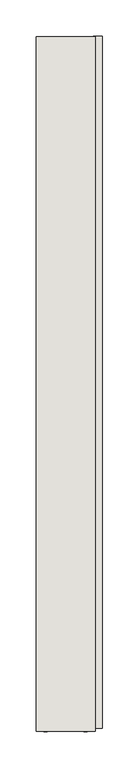
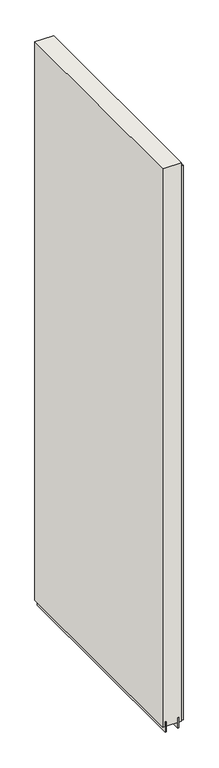
"""IFC4 building model written with IfcOpenShell, lengths in millimetres: wall geometry."""

import ifcopenshell
import ifcopenshell.guid

model = None  # the IFC model being written
_history = None  # IfcOwnerHistory: only IFC2X3 demands one
_inside = {}  # id of a spatial element -> (the spatial element, [elements in it])
_under = {}  # id of a project, library or spatial element -> (it, [spatial elements below it])
_declared = {}  # id of a project -> (the project, [libraries it declares])
_typed = {}  # id of a type object -> (the type object, [elements of that type])
_made_of = {}  # id of a material, layer set ... -> (it, [elements and type objects made of it])


def new_model(schema):
    """Start an empty IFC model of exactly this schema.

    Asked for "IFC4X3", IfcOpenShell would pick the latest addendum, in which some entities
    have other attributes; the version numbers below select the first issue.
    IFC2X3 requires an IfcOwnerHistory on every rooted entity: one is made here for all.
    """
    global model, _history
    if schema == "IFC4X3":
        model = ifcopenshell.file(schema_version=(4, 3, 0, 0))
    else:
        model = ifcopenshell.file(schema=schema)
    _inside.clear()
    _under.clear()
    _declared.clear()
    _typed.clear()
    _made_of.clear()
    _history = None
    if model.schema == "IFC2X3":
        org = make("IfcOrganization", Name="unknown")
        user = make(
            "IfcPersonAndOrganization",
            ThePerson=make("IfcPerson", FamilyName="unknown"),
            TheOrganization=org,
        )
        app = make(
            "IfcApplication",
            ApplicationDeveloper=org,
            Version="unknown",
            ApplicationFullName="unknown",
            ApplicationIdentifier="unknown",
        )
        _history = make(
            "IfcOwnerHistory",
            OwningUser=user,
            OwningApplication=app,
            ChangeAction="ADDED",
            CreationDate=0,
        )
    return model


def make(cls, **values):
    """One entity of the class cls with the attributes given. An attribute that is None is left unset."""
    return model.create_entity(
        cls, **{name: value for name, value in values.items() if value is not None}
    )


def rooted(cls, **values):
    """An entity with a GlobalId (a new one), such as an element, a storey or a relation."""
    return make(cls, GlobalId=ifcopenshell.guid.new(), OwnerHistory=_history, **values)


def si_unit(unit_type, name, prefix=None):
    """IfcSIUnit, for example si_unit("LENGTHUNIT", "METRE", prefix="MILLI")."""
    return make("IfcSIUnit", UnitType=unit_type, Prefix=prefix, Name=name)


def assignment(units):
    """IfcUnitAssignment: the units of a project."""
    return None if units is None else make("IfcUnitAssignment", Units=units)


def point(xyz):
    """IfcCartesianPoint."""
    return None if xyz is None else make("IfcCartesianPoint", Coordinates=xyz)


def direction(xyz):
    """IfcDirection."""
    return None if xyz is None else make("IfcDirection", DirectionRatios=xyz)


def frame(location, z_axis=None, x_axis=None):
    """IfcAxis2Placement3D, a coordinate frame: its origin and axes. An axis left out is left unset."""
    return make(
        "IfcAxis2Placement3D",
        Location=point(location),
        Axis=direction(z_axis),
        RefDirection=direction(x_axis),
    )


def origin():
    """The frame at (0, 0, 0) with its axes left unset."""
    return frame((0.0, 0.0, 0.0))


def place(relative_to, where):
    """IfcLocalPlacement: puts the frame where relative to a parent placement (None: the world)."""
    return make(
        "IfcLocalPlacement", PlacementRelTo=relative_to, RelativePlacement=where
    )


def context(
    kind, dimensions, precision=None, world=None, true_north=None, identifier=None
):
    """IfcGeometricRepresentationContext, for example the 3D "Model" context."""
    return make(
        "IfcGeometricRepresentationContext",
        ContextIdentifier=identifier,
        ContextType=kind,
        CoordinateSpaceDimension=dimensions,
        Precision=precision,
        WorldCoordinateSystem=world,
        TrueNorth=true_north,
    )


def project(units=None, contexts=None):
    """IfcProject with its units and contexts."""
    return rooted(
        "IfcProject",
        Name="project",
        RepresentationContexts=contexts,
        UnitsInContext=assignment(units),
    )


def spatial(cls, under=None, at=None, **own):
    """A site, building, storey or space (cls), placed at a placement, below another one or the project."""
    s = rooted(cls, ObjectPlacement=at, **own)
    if under is not None:
        _under.setdefault(under.id(), (under, []))[1].append(s)
    return s


def polyline(points):
    """IfcPolyline through the points."""
    return make("IfcPolyline", Points=[point(p) for p in points])


def outline(outer, holes=None, kind="AREA"):
    """IfcArbitraryClosedProfileDef: a profile drawn as a closed curve; with holes, ...WithVoids."""
    if holes is None:
        return make("IfcArbitraryClosedProfileDef", ProfileType=kind, OuterCurve=outer)
    return make(
        "IfcArbitraryProfileDefWithVoids",
        ProfileType=kind,
        OuterCurve=outer,
        InnerCurves=holes,
    )


def extrude(swept, where, along, depth):
    """IfcExtrudedAreaSolid: the profile swept, set in the frame where, extruded along a direction by depth."""
    return make(
        "IfcExtrudedAreaSolid",
        SweptArea=swept,
        Position=where,
        ExtrudedDirection=direction(along),
        Depth=depth,
    )


def shape(context_of_items, identifier, shape_type, items):
    """IfcShapeRepresentation: the items that make up one representation, for example the "Body"."""
    return make(
        "IfcShapeRepresentation",
        ContextOfItems=context_of_items,
        RepresentationIdentifier=identifier,
        RepresentationType=shape_type,
        Items=items,
    )


def source(mapping_origin, context_of_items, identifier, shape_type, items):
    """IfcRepresentationMap: a shape defined once, which mapped items show again and again."""
    return make(
        "IfcRepresentationMap",
        MappingOrigin=mapping_origin,
        MappedRepresentation=shape(context_of_items, identifier, shape_type, items),
    )


def transform(
    local_origin,
    x_axis=None,
    y_axis=None,
    z_axis=None,
    scale=None,
    scale2=None,
    scale3=None,
    uniform=True,
):
    """IfcCartesianTransformationOperator3D, or its non-uniform kind. x_axis, y_axis, z_axis: its Axis1, 2, 3."""
    if uniform:
        return make(
            "IfcCartesianTransformationOperator3D",
            Axis1=direction(x_axis),
            Axis2=direction(y_axis),
            LocalOrigin=point(local_origin),
            Scale=scale,
            Axis3=direction(z_axis),
        )
    return make(
        "IfcCartesianTransformationOperator3DnonUniform",
        Axis1=direction(x_axis),
        Axis2=direction(y_axis),
        LocalOrigin=point(local_origin),
        Scale=scale,
        Axis3=direction(z_axis),
        Scale2=scale2,
        Scale3=scale3,
    )


def mapped(mapping_source, mapping_target):
    """IfcMappedItem: shows the shape of a source again, moved by a transform."""
    return make(
        "IfcMappedItem", MappingSource=mapping_source, MappingTarget=mapping_target
    )


def made_of(thing, what):
    """Note that an element or type object is made of a material, layer set ...; save() writes the relation."""
    if what is not None:
        _made_of.setdefault(what.id(), (what, []))[1].append(thing)
    return thing


def element(
    cls,
    number,
    at=None,
    inside=None,
    cuts=None,
    type_object=None,
    material=None,
    context=None,
    identifier="Body",
    shape_type=None,
    held_by="IfcProductDefinitionShape",
    body=None,
    shapes=None,
    **own,
):
    """One element of the class cls, such as IfcWall. Its Tag is "e" and its number.

    at: its placement. inside: the storey or other place that contains it. cuts: it is an
    opening in that element (IfcRelVoidsElement). A single representation is given by context,
    identifier, shape_type and body (its items); several are given by shapes. held_by: the class
    of the entity that holds the representations. save() writes the other relations.
    """
    e = rooted(cls, Tag="e%d" % number, ObjectPlacement=at, **own)
    if body is not None:
        shapes = [shape(context, identifier, shape_type, body)]
    if shapes is not None:
        e.Representation = make(held_by, Representations=shapes)
    if inside is not None:
        _inside.setdefault(inside.id(), (inside, []))[1].append(e)
    if cuts is not None:
        rooted(
            "IfcRelVoidsElement", RelatingBuildingElement=cuts, RelatedOpeningElement=e
        )
    if type_object is not None:
        _typed.setdefault(type_object.id(), (type_object, []))[1].append(e)
    return made_of(e, material)


def aggregate(whole, parts):
    """IfcRelAggregates: a whole, such as a stair, and the parts it consists of."""
    return rooted("IfcRelAggregates", RelatingObject=whole, RelatedObjects=parts)


def save(model, path):
    """Write the relations noted so far, then the file.

    IfcRelAggregates (storeys below a building ...), IfcRelContainedInSpatialStructure (elements
    in a storey), IfcRelDefinesByType, IfcRelAssociatesMaterial and IfcRelDeclares: one each for
    every whole, place, type object, material and project.
    """
    for whole, parts in _under.values():
        aggregate(whole, parts)
    for where, things in _inside.values():
        rooted(
            "IfcRelContainedInSpatialStructure",
            RelatedElements=things,
            RelatingStructure=where,
        )
    for kind, things in _typed.values():
        rooted("IfcRelDefinesByType", RelatedObjects=things, RelatingType=kind)
    for what, things in _made_of.values():
        rooted("IfcRelAssociatesMaterial", RelatedObjects=things, RelatingMaterial=what)
    for by, libraries in _declared.values():
        rooted("IfcRelDeclares", RelatingContext=by, RelatedDefinitions=libraries)
    model.write(path)


def wall_3ab2959a(model_context):
    return source(origin(), model_context, "Body", "SweptSolid", [
        extrude(outline(polyline([(64721.142211, -46040.0784556), (64721.142211, -46037.5384556), (64723.682211, -46037.5384556), (64723.682211, -46040.0784556), (64721.142211, -46040.0784556)])), frame((0.0, 0.0, 4419.6), z_axis=(0.0, 0.0, 1.0), x_axis=(1.0, 0.0, 0.0)), (0.0, 0.0, 1.0), 2.54),
        extrude(outline(polyline([(64773.212211, -46037.0771662), (64773.212211, -46992.9405326), (64760.512211, -46992.9405326), (64760.512211, -46037.0771662), (64773.212211, -46037.0771662)])), frame((0.0, 0.0, 4445.0), z_axis=(0.0, 0.0, 1.0), x_axis=(1.0, 0.0, 0.0)), (0.0, 0.0, 1.0), 2545.0498756),
        extrude(outline(polyline([(64747.4959556, -46997.4165968), (64747.4959556, -46037.5496062), (64752.574711, -46037.5496062), (64752.574711, -46997.4165968), (64747.4959556, -46997.4165968)])), frame((0.0, 0.0, 4418.6602), z_axis=(0.0, 0.0, 1.0), x_axis=(1.0, 0.0, 0.0)), (0.0, 0.0, 1.0), 47.625),
        extrude(outline(polyline([(64747.4959556, -46997.4165968), (64747.4959556, -46037.5496062), (64752.574711, -46037.5496062), (64752.574711, -46997.4165968), (64747.4959556, -46997.4165968)])), frame((0.0, 0.0, 4418.6602), z_axis=(0.0, 0.0, 1.0), x_axis=(1.0, 0.0, 0.0)), (0.0, 0.0, 1.0), 47.625),
        extrude(outline(polyline([(64697.3284664, -46037.5496062), (64697.3284664, -46997.4165968), (64692.249711, -46997.4165968), (64692.249711, -46037.5496062), (64697.3284664, -46037.5496062)])), frame((0.0, 0.0, 4418.6602), z_axis=(0.0, 0.0, 1.0), x_axis=(1.0, 0.0, 0.0)), (0.0, 0.0, 1.0), 47.625),
        extrude(outline(polyline([(64697.3284664, -46037.5496062), (64697.3284664, -46997.4165968), (64692.249711, -46997.4165968), (64692.249711, -46037.5496062), (64697.3284664, -46037.5496062)])), frame((0.0, 0.0, 4418.6602), z_axis=(0.0, 0.0, 1.0), x_axis=(1.0, 0.0, 0.0)), (0.0, 0.0, 1.0), 47.625),
        extrude(outline(polyline([(64763.0670954, -46997.3918064), (64681.7573266, -46997.3918064), (64681.7573266, -46037.5496062), (64763.0670954, -46037.5496062), (64763.0670954, -46997.3918064)])), frame((0.0, 0.0, 4445.0), z_axis=(0.0, 0.0, 1.0), x_axis=(1.0, 0.0, 0.0)), (0.0, 0.0, 1.0), 2562.4536762),
    ])


if __name__ == "__main__":
    model = new_model("IFC4")
    model_context = context("Model", 3, world=origin())
    ifc_project = project(units=[si_unit("LENGTHUNIT", "METRE", prefix="MILLI")], contexts=[model_context])
    site = spatial("IfcSite", under=ifc_project)
    building = spatial("IfcBuilding", under=site)
    placement = place(None, origin())
    wall_shape = wall_3ab2959a(model_context)
    element("IfcWall", 1, at=placement, inside=building, context=model_context, shape_type="MappedRepresentation", body=[
        mapped(wall_shape, transform((0.0, 0.0, 0.0), x_axis=(1.0, 0.0, 0.0), y_axis=(0.0, 1.0, 0.0), z_axis=(0.0, 0.0, 1.0))),
    ])
    save(model, "model.ifc")
